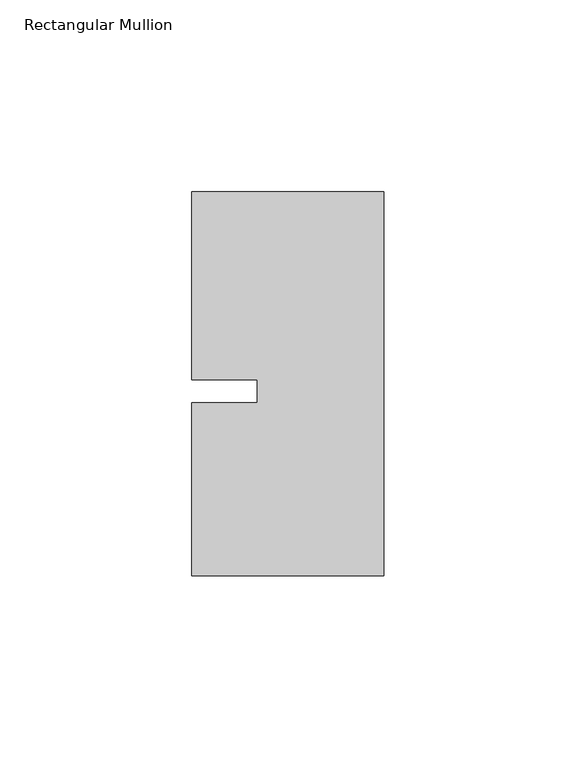
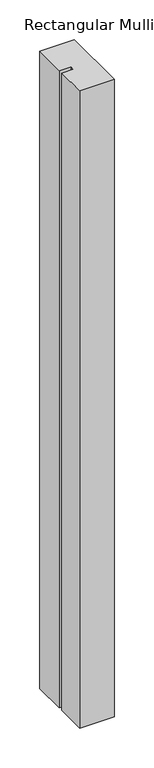
"""IFC4 building model written with IfcOpenShell, lengths in millimetres: member geometry, Rectangular Mullion."""

from ifc_helpers import new_model, si_unit, frame, origin, place, context, project, spatial, polyline, outline, extrude, source, transform, mapped, element, save


def rectangular_mullion_a0f25240(model_context):
    return source(origin(), model_context, "Body", "SweptSolid", [
        extrude(outline(polyline([(-33.0004407, -3.0000086), (-33.0004379, 3.0000086), (-49.9999762, 3.0000166), (-49.9999534, 51.9999993), (0.0, 51.9999711), (0.0, -48.000024), (-50.0, -48.0000007), (-49.999979, -3.0000007), (-33.0004407, -3.0000086)])), frame((0.0, 0.0, -976.9293191), z_axis=(0.0, 0.0, 1.0), x_axis=(1.0, 0.0, 0.0)), (0.0, 0.0, 1.0), 976.9293191),
    ])


if __name__ == "__main__":
    model = new_model("IFC4")
    model_context = context("Model", 3, world=origin())
    ifc_project = project(units=[si_unit("LENGTHUNIT", "METRE", prefix="MILLI")], contexts=[model_context])
    site = spatial("IfcSite", under=ifc_project)
    building = spatial("IfcBuilding", under=site)
    placement = place(None, origin())
    rectangular_mullion_shape = rectangular_mullion_a0f25240(model_context)
    element("IfcMember", 1, ObjectType="Rectangular Mullion", at=placement, inside=building, context=model_context, shape_type="MappedRepresentation", body=[
        mapped(rectangular_mullion_shape, transform((0.0, 0.0, 0.0), x_axis=(1.0, 0.0, 0.0), y_axis=(0.0, 1.0, 0.0), z_axis=(0.0, 0.0, 1.0))),
    ])
    save(model, "model.ifc")
